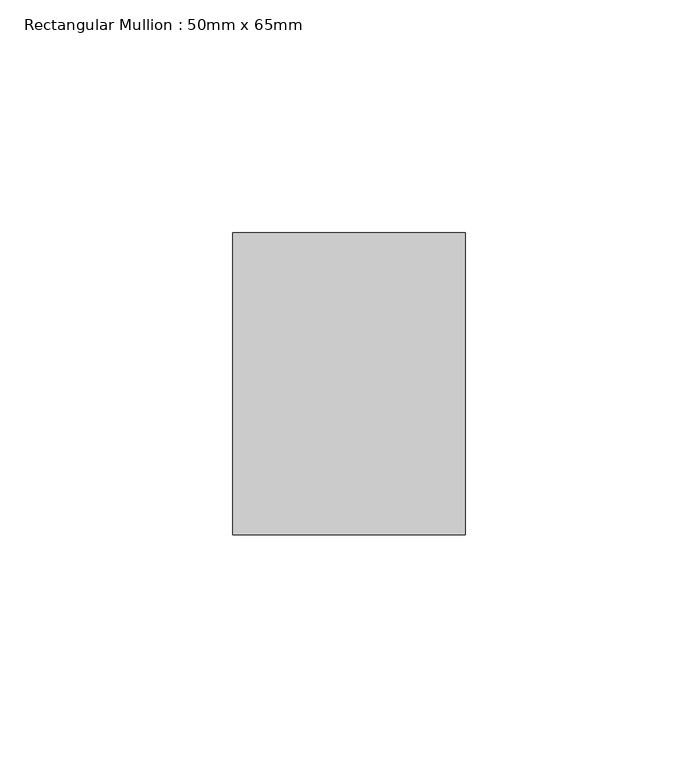
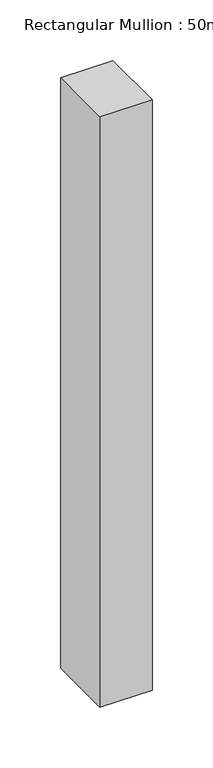
"""IFC4 building model written with IfcOpenShell, lengths in millimetres: member geometry, Rectangular Mullion : 50mm x 65mm."""

import ifcopenshell
import ifcopenshell.guid

model = None  # the IFC model being written
_history = None  # IfcOwnerHistory: only IFC2X3 demands one
_inside = {}  # id of a spatial element -> (the spatial element, [elements in it])
_under = {}  # id of a project, library or spatial element -> (it, [spatial elements below it])
_declared = {}  # id of a project -> (the project, [libraries it declares])
_typed = {}  # id of a type object -> (the type object, [elements of that type])
_made_of = {}  # id of a material, layer set ... -> (it, [elements and type objects made of it])


def new_model(schema):
    """Start an empty IFC model of exactly this schema.

    Asked for "IFC4X3", IfcOpenShell would pick the latest addendum, in which some entities
    have other attributes; the version numbers below select the first issue.
    IFC2X3 requires an IfcOwnerHistory on every rooted entity: one is made here for all.
    """
    global model, _history
    if schema == "IFC4X3":
        model = ifcopenshell.file(schema_version=(4, 3, 0, 0))
    else:
        model = ifcopenshell.file(schema=schema)
    _inside.clear()
    _under.clear()
    _declared.clear()
    _typed.clear()
    _made_of.clear()
    _history = None
    if model.schema == "IFC2X3":
        org = make("IfcOrganization", Name="unknown")
        user = make(
            "IfcPersonAndOrganization",
            ThePerson=make("IfcPerson", FamilyName="unknown"),
            TheOrganization=org,
        )
        app = make(
            "IfcApplication",
            ApplicationDeveloper=org,
            Version="unknown",
            ApplicationFullName="unknown",
            ApplicationIdentifier="unknown",
        )
        _history = make(
            "IfcOwnerHistory",
            OwningUser=user,
            OwningApplication=app,
            ChangeAction="ADDED",
            CreationDate=0,
        )
    return model


def make(cls, **values):
    """One entity of the class cls with the attributes given. An attribute that is None is left unset."""
    return model.create_entity(
        cls, **{name: value for name, value in values.items() if value is not None}
    )


def rooted(cls, **values):
    """An entity with a GlobalId (a new one), such as an element, a storey or a relation."""
    return make(cls, GlobalId=ifcopenshell.guid.new(), OwnerHistory=_history, **values)


def si_unit(unit_type, name, prefix=None):
    """IfcSIUnit, for example si_unit("LENGTHUNIT", "METRE", prefix="MILLI")."""
    return make("IfcSIUnit", UnitType=unit_type, Prefix=prefix, Name=name)


def assignment(units):
    """IfcUnitAssignment: the units of a project."""
    return None if units is None else make("IfcUnitAssignment", Units=units)


def point(xyz):
    """IfcCartesianPoint."""
    return None if xyz is None else make("IfcCartesianPoint", Coordinates=xyz)


def direction(xyz):
    """IfcDirection."""
    return None if xyz is None else make("IfcDirection", DirectionRatios=xyz)


def frame(location, z_axis=None, x_axis=None):
    """IfcAxis2Placement3D, a coordinate frame: its origin and axes. An axis left out is left unset."""
    return make(
        "IfcAxis2Placement3D",
        Location=point(location),
        Axis=direction(z_axis),
        RefDirection=direction(x_axis),
    )


def origin():
    """The frame at (0, 0, 0) with its axes left unset."""
    return frame((0.0, 0.0, 0.0))


def place(relative_to, where):
    """IfcLocalPlacement: puts the frame where relative to a parent placement (None: the world)."""
    return make(
        "IfcLocalPlacement", PlacementRelTo=relative_to, RelativePlacement=where
    )


def context(
    kind, dimensions, precision=None, world=None, true_north=None, identifier=None
):
    """IfcGeometricRepresentationContext, for example the 3D "Model" context."""
    return make(
        "IfcGeometricRepresentationContext",
        ContextIdentifier=identifier,
        ContextType=kind,
        CoordinateSpaceDimension=dimensions,
        Precision=precision,
        WorldCoordinateSystem=world,
        TrueNorth=true_north,
    )


def project(units=None, contexts=None):
    """IfcProject with its units and contexts."""
    return rooted(
        "IfcProject",
        Name="project",
        RepresentationContexts=contexts,
        UnitsInContext=assignment(units),
    )


def spatial(cls, under=None, at=None, **own):
    """A site, building, storey or space (cls), placed at a placement, below another one or the project."""
    s = rooted(cls, ObjectPlacement=at, **own)
    if under is not None:
        _under.setdefault(under.id(), (under, []))[1].append(s)
    return s


def polyline(points):
    """IfcPolyline through the points."""
    return make("IfcPolyline", Points=[point(p) for p in points])


def outline(outer, holes=None, kind="AREA"):
    """IfcArbitraryClosedProfileDef: a profile drawn as a closed curve; with holes, ...WithVoids."""
    if holes is None:
        return make("IfcArbitraryClosedProfileDef", ProfileType=kind, OuterCurve=outer)
    return make(
        "IfcArbitraryProfileDefWithVoids",
        ProfileType=kind,
        OuterCurve=outer,
        InnerCurves=holes,
    )


def extrude(swept, where, along, depth):
    """IfcExtrudedAreaSolid: the profile swept, set in the frame where, extruded along a direction by depth."""
    return make(
        "IfcExtrudedAreaSolid",
        SweptArea=swept,
        Position=where,
        ExtrudedDirection=direction(along),
        Depth=depth,
    )


def shape(context_of_items, identifier, shape_type, items):
    """IfcShapeRepresentation: the items that make up one representation, for example the "Body"."""
    return make(
        "IfcShapeRepresentation",
        ContextOfItems=context_of_items,
        RepresentationIdentifier=identifier,
        RepresentationType=shape_type,
        Items=items,
    )


def source(mapping_origin, context_of_items, identifier, shape_type, items):
    """IfcRepresentationMap: a shape defined once, which mapped items show again and again."""
    return make(
        "IfcRepresentationMap",
        MappingOrigin=mapping_origin,
        MappedRepresentation=shape(context_of_items, identifier, shape_type, items),
    )


def transform(
    local_origin,
    x_axis=None,
    y_axis=None,
    z_axis=None,
    scale=None,
    scale2=None,
    scale3=None,
    uniform=True,
):
    """IfcCartesianTransformationOperator3D, or its non-uniform kind. x_axis, y_axis, z_axis: its Axis1, 2, 3."""
    if uniform:
        return make(
            "IfcCartesianTransformationOperator3D",
            Axis1=direction(x_axis),
            Axis2=direction(y_axis),
            LocalOrigin=point(local_origin),
            Scale=scale,
            Axis3=direction(z_axis),
        )
    return make(
        "IfcCartesianTransformationOperator3DnonUniform",
        Axis1=direction(x_axis),
        Axis2=direction(y_axis),
        LocalOrigin=point(local_origin),
        Scale=scale,
        Axis3=direction(z_axis),
        Scale2=scale2,
        Scale3=scale3,
    )


def mapped(mapping_source, mapping_target):
    """IfcMappedItem: shows the shape of a source again, moved by a transform."""
    return make(
        "IfcMappedItem", MappingSource=mapping_source, MappingTarget=mapping_target
    )


def made_of(thing, what):
    """Note that an element or type object is made of a material, layer set ...; save() writes the relation."""
    if what is not None:
        _made_of.setdefault(what.id(), (what, []))[1].append(thing)
    return thing


def element(
    cls,
    number,
    at=None,
    inside=None,
    cuts=None,
    type_object=None,
    material=None,
    context=None,
    identifier="Body",
    shape_type=None,
    held_by="IfcProductDefinitionShape",
    body=None,
    shapes=None,
    **own,
):
    """One element of the class cls, such as IfcWall. Its Tag is "e" and its number.

    at: its placement. inside: the storey or other place that contains it. cuts: it is an
    opening in that element (IfcRelVoidsElement). A single representation is given by context,
    identifier, shape_type and body (its items); several are given by shapes. held_by: the class
    of the entity that holds the representations. save() writes the other relations.
    """
    e = rooted(cls, Tag="e%d" % number, ObjectPlacement=at, **own)
    if body is not None:
        shapes = [shape(context, identifier, shape_type, body)]
    if shapes is not None:
        e.Representation = make(held_by, Representations=shapes)
    if inside is not None:
        _inside.setdefault(inside.id(), (inside, []))[1].append(e)
    if cuts is not None:
        rooted(
            "IfcRelVoidsElement", RelatingBuildingElement=cuts, RelatedOpeningElement=e
        )
    if type_object is not None:
        _typed.setdefault(type_object.id(), (type_object, []))[1].append(e)
    return made_of(e, material)


def aggregate(whole, parts):
    """IfcRelAggregates: a whole, such as a stair, and the parts it consists of."""
    return rooted("IfcRelAggregates", RelatingObject=whole, RelatedObjects=parts)


def save(model, path):
    """Write the relations noted so far, then the file.

    IfcRelAggregates (storeys below a building ...), IfcRelContainedInSpatialStructure (elements
    in a storey), IfcRelDefinesByType, IfcRelAssociatesMaterial and IfcRelDeclares: one each for
    every whole, place, type object, material and project.
    """
    for whole, parts in _under.values():
        aggregate(whole, parts)
    for where, things in _inside.values():
        rooted(
            "IfcRelContainedInSpatialStructure",
            RelatedElements=things,
            RelatingStructure=where,
        )
    for kind, things in _typed.values():
        rooted("IfcRelDefinesByType", RelatedObjects=things, RelatingType=kind)
    for what, things in _made_of.values():
        rooted("IfcRelAssociatesMaterial", RelatedObjects=things, RelatingMaterial=what)
    for by, libraries in _declared.values():
        rooted("IfcRelDeclares", RelatingContext=by, RelatedDefinitions=libraries)
    model.write(path)


def rectangular_mullion_50mm_x_65mm_153c9421(model_context):
    return source(origin(), model_context, "Body", "SweptSolid", [
        extrude(outline(polyline([(25.0, 32.5), (25.0, -32.5), (-25.0, -32.5), (-25.0, 32.5), (25.0, 32.5)])), frame((0.0, 0.0, -595.775706), z_axis=(0.0, 0.0, 1.0), x_axis=(1.0, 0.0, 0.0)), (0.0, 0.0, 1.0), 595.775706),
    ])


if __name__ == "__main__":
    model = new_model("IFC4")
    model_context = context("Model", 3, world=origin())
    ifc_project = project(units=[si_unit("LENGTHUNIT", "METRE", prefix="MILLI")], contexts=[model_context])
    site = spatial("IfcSite", under=ifc_project)
    building = spatial("IfcBuilding", under=site)
    placement = place(None, origin())
    rectangular_mullion_50mm_x_65mm_shape = rectangular_mullion_50mm_x_65mm_153c9421(model_context)
    element("IfcMember", 1, ObjectType="Rectangular Mullion : 50mm x 65mm", at=placement, inside=building, context=model_context, shape_type="MappedRepresentation", body=[
        mapped(rectangular_mullion_50mm_x_65mm_shape, transform((0.0, 0.0, 0.0), x_axis=(1.0, 0.0, 0.0), y_axis=(0.0, 1.0, 0.0), z_axis=(0.0, 0.0, 1.0))),
    ])
    save(model, "model.ifc")
